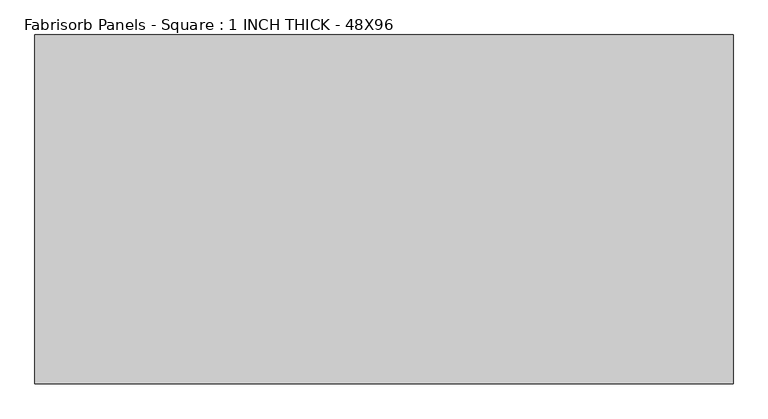
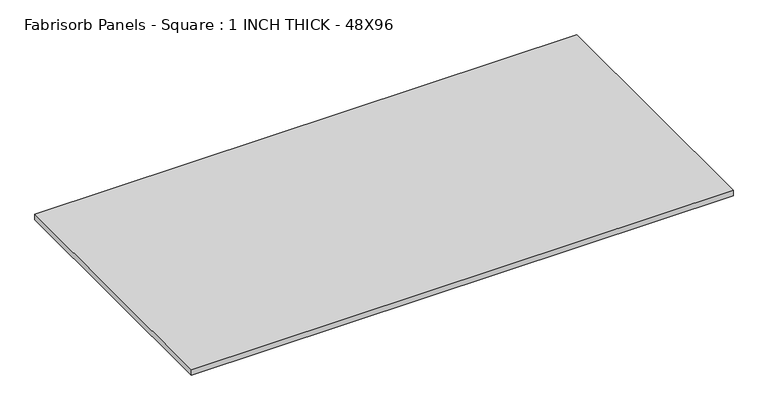
"""IFC4 building model written with IfcOpenShell, lengths in millimetres: proxy geometry, Fabrisorb Panels - Square : 1 INCH THICK - 48X96."""

from ifc_helpers import new_model, si_unit, origin, origin_with_axes, place, context, project, spatial, polyline, outline, extrude, source, transform, mapped, element, save


def fabrisorb_panels_square_1_inch_thick_48x96_11abb7a7(model_context):
    return source(origin(), model_context, "Body", "SweptSolid", [
        extrude(outline(polyline([(-1219.2, 609.6), (1219.2, 609.6), (1219.2, -609.6), (-1219.2, -609.6), (-1219.2, 609.6)])), origin_with_axes(), (0.0, 0.0, 1.0), 25.4),
    ])


if __name__ == "__main__":
    model = new_model("IFC4")
    model_context = context("Model", 3, world=origin())
    ifc_project = project(units=[si_unit("LENGTHUNIT", "METRE", prefix="MILLI")], contexts=[model_context])
    site = spatial("IfcSite", under=ifc_project)
    building = spatial("IfcBuilding", under=site)
    placement = place(None, origin())
    fabrisorb_panels_square_1_inch_thick_48x96_shape = fabrisorb_panels_square_1_inch_thick_48x96_11abb7a7(model_context)
    element("IfcBuildingElementProxy", 1, Name="Fabrisorb Panels - Square : 1 INCH THICK - 48X96", ObjectType="Fabrisorb Panels - Square : 1 INCH THICK - 48X96", at=placement, inside=building, context=model_context, shape_type="MappedRepresentation", body=[
        mapped(fabrisorb_panels_square_1_inch_thick_48x96_shape, transform((0.0, 0.0, 0.0), x_axis=(1.0, 0.0, 0.0), y_axis=(0.0, 1.0, 0.0), z_axis=(0.0, 0.0, 1.0))),
    ])
    save(model, "model.ifc")
